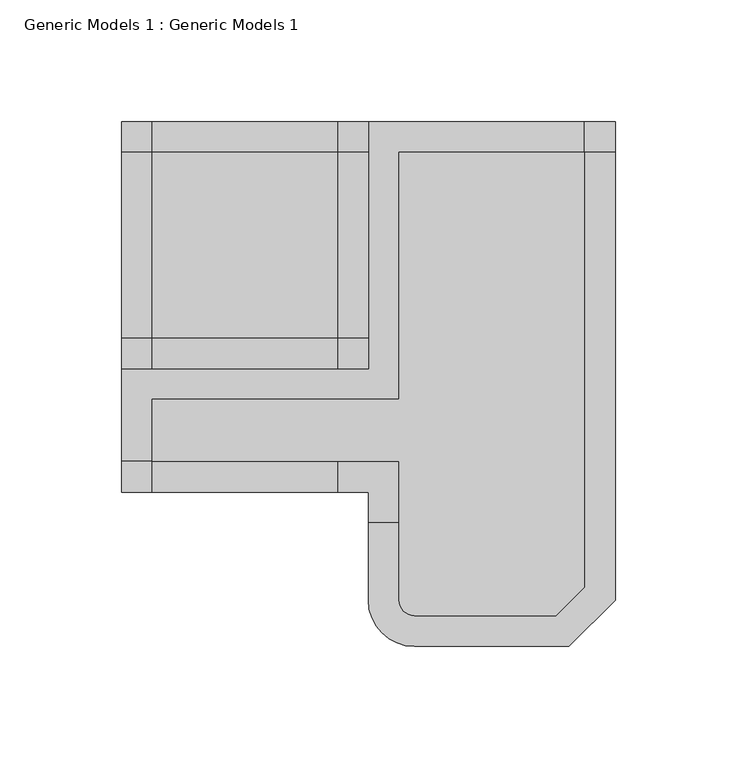
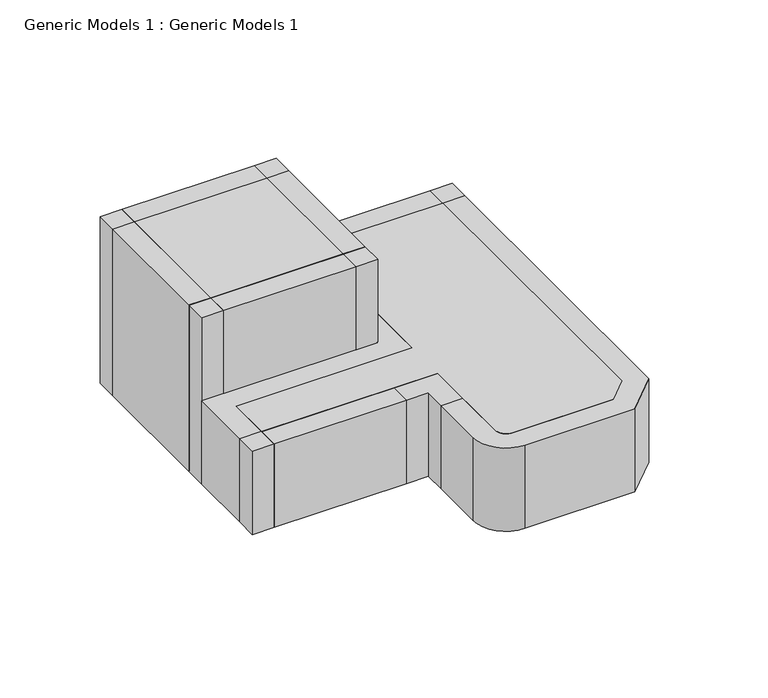
"""IFC4 building model written with IfcOpenShell, lengths in millimetres: proxy geometry, Generic Models 1 : Generic Models 1."""

import ifcopenshell
import ifcopenshell.guid

model = None  # the IFC model being written
_history = None  # IfcOwnerHistory: only IFC2X3 demands one
_inside = {}  # id of a spatial element -> (the spatial element, [elements in it])
_under = {}  # id of a project, library or spatial element -> (it, [spatial elements below it])
_declared = {}  # id of a project -> (the project, [libraries it declares])
_typed = {}  # id of a type object -> (the type object, [elements of that type])
_made_of = {}  # id of a material, layer set ... -> (it, [elements and type objects made of it])


def new_model(schema):
    """Start an empty IFC model of exactly this schema.

    Asked for "IFC4X3", IfcOpenShell would pick the latest addendum, in which some entities
    have other attributes; the version numbers below select the first issue.
    IFC2X3 requires an IfcOwnerHistory on every rooted entity: one is made here for all.
    """
    global model, _history
    if schema == "IFC4X3":
        model = ifcopenshell.file(schema_version=(4, 3, 0, 0))
    else:
        model = ifcopenshell.file(schema=schema)
    _inside.clear()
    _under.clear()
    _declared.clear()
    _typed.clear()
    _made_of.clear()
    _history = None
    if model.schema == "IFC2X3":
        org = make("IfcOrganization", Name="unknown")
        user = make(
            "IfcPersonAndOrganization",
            ThePerson=make("IfcPerson", FamilyName="unknown"),
            TheOrganization=org,
        )
        app = make(
            "IfcApplication",
            ApplicationDeveloper=org,
            Version="unknown",
            ApplicationFullName="unknown",
            ApplicationIdentifier="unknown",
        )
        _history = make(
            "IfcOwnerHistory",
            OwningUser=user,
            OwningApplication=app,
            ChangeAction="ADDED",
            CreationDate=0,
        )
    return model


def make(cls, **values):
    """One entity of the class cls with the attributes given. An attribute that is None is left unset."""
    return model.create_entity(
        cls, **{name: value for name, value in values.items() if value is not None}
    )


def rooted(cls, **values):
    """An entity with a GlobalId (a new one), such as an element, a storey or a relation."""
    return make(cls, GlobalId=ifcopenshell.guid.new(), OwnerHistory=_history, **values)


def si_unit(unit_type, name, prefix=None):
    """IfcSIUnit, for example si_unit("LENGTHUNIT", "METRE", prefix="MILLI")."""
    return make("IfcSIUnit", UnitType=unit_type, Prefix=prefix, Name=name)


def assignment(units):
    """IfcUnitAssignment: the units of a project."""
    return None if units is None else make("IfcUnitAssignment", Units=units)


def point(xyz):
    """IfcCartesianPoint."""
    return None if xyz is None else make("IfcCartesianPoint", Coordinates=xyz)


def direction(xyz):
    """IfcDirection."""
    return None if xyz is None else make("IfcDirection", DirectionRatios=xyz)


def frame(location, z_axis=None, x_axis=None):
    """IfcAxis2Placement3D, a coordinate frame: its origin and axes. An axis left out is left unset."""
    return make(
        "IfcAxis2Placement3D",
        Location=point(location),
        Axis=direction(z_axis),
        RefDirection=direction(x_axis),
    )


def frame_2d(location, x_axis=None):
    """IfcAxis2Placement2D, a coordinate frame in the plane: its origin and x axis."""
    return make(
        "IfcAxis2Placement2D", Location=point(location), RefDirection=direction(x_axis)
    )


def origin():
    """The frame at (0, 0, 0) with its axes left unset."""
    return frame((0.0, 0.0, 0.0))


def origin_with_axes():
    """The frame at (0, 0, 0) with the z axis (0, 0, 1) and the x axis (1, 0, 0) written out."""
    return frame((0.0, 0.0, 0.0), z_axis=(0.0, 0.0, 1.0), x_axis=(1.0, 0.0, 0.0))


def place(relative_to, where):
    """IfcLocalPlacement: puts the frame where relative to a parent placement (None: the world)."""
    return make(
        "IfcLocalPlacement", PlacementRelTo=relative_to, RelativePlacement=where
    )


def context(
    kind, dimensions, precision=None, world=None, true_north=None, identifier=None
):
    """IfcGeometricRepresentationContext, for example the 3D "Model" context."""
    return make(
        "IfcGeometricRepresentationContext",
        ContextIdentifier=identifier,
        ContextType=kind,
        CoordinateSpaceDimension=dimensions,
        Precision=precision,
        WorldCoordinateSystem=world,
        TrueNorth=true_north,
    )


def project(units=None, contexts=None):
    """IfcProject with its units and contexts."""
    return rooted(
        "IfcProject",
        Name="project",
        RepresentationContexts=contexts,
        UnitsInContext=assignment(units),
    )


def spatial(cls, under=None, at=None, **own):
    """A site, building, storey or space (cls), placed at a placement, below another one or the project."""
    s = rooted(cls, ObjectPlacement=at, **own)
    if under is not None:
        _under.setdefault(under.id(), (under, []))[1].append(s)
    return s


def polyline(points):
    """IfcPolyline through the points."""
    return make("IfcPolyline", Points=[point(p) for p in points])


def circle_curve(where, radius):
    """IfcCircle in the frame where."""
    return make("IfcCircle", Position=where, Radius=radius)


def trimmed(basis, trim1, trim2, sense, master):
    """IfcTrimmedCurve: the piece of a basis curve between two trims."""
    return make(
        "IfcTrimmedCurve",
        BasisCurve=basis,
        Trim1=trim1,
        Trim2=trim2,
        SenseAgreement=sense,
        MasterRepresentation=master,
    )


def segment(curve, same_sense, transition):
    """IfcCompositeCurveSegment."""
    return make(
        "IfcCompositeCurveSegment",
        Transition=transition,
        SameSense=same_sense,
        ParentCurve=curve,
    )


def composite_curve(segments, self_intersect=None):
    """IfcCompositeCurve: segments joined end to end."""
    return make("IfcCompositeCurve", Segments=segments, SelfIntersect=self_intersect)


def outline(outer, holes=None, kind="AREA"):
    """IfcArbitraryClosedProfileDef: a profile drawn as a closed curve; with holes, ...WithVoids."""
    if holes is None:
        return make("IfcArbitraryClosedProfileDef", ProfileType=kind, OuterCurve=outer)
    return make(
        "IfcArbitraryProfileDefWithVoids",
        ProfileType=kind,
        OuterCurve=outer,
        InnerCurves=holes,
    )


def extrude(swept, where, along, depth):
    """IfcExtrudedAreaSolid: the profile swept, set in the frame where, extruded along a direction by depth."""
    return make(
        "IfcExtrudedAreaSolid",
        SweptArea=swept,
        Position=where,
        ExtrudedDirection=direction(along),
        Depth=depth,
    )


def shape(context_of_items, identifier, shape_type, items):
    """IfcShapeRepresentation: the items that make up one representation, for example the "Body"."""
    return make(
        "IfcShapeRepresentation",
        ContextOfItems=context_of_items,
        RepresentationIdentifier=identifier,
        RepresentationType=shape_type,
        Items=items,
    )


def source(mapping_origin, context_of_items, identifier, shape_type, items):
    """IfcRepresentationMap: a shape defined once, which mapped items show again and again."""
    return make(
        "IfcRepresentationMap",
        MappingOrigin=mapping_origin,
        MappedRepresentation=shape(context_of_items, identifier, shape_type, items),
    )


def transform(
    local_origin,
    x_axis=None,
    y_axis=None,
    z_axis=None,
    scale=None,
    scale2=None,
    scale3=None,
    uniform=True,
):
    """IfcCartesianTransformationOperator3D, or its non-uniform kind. x_axis, y_axis, z_axis: its Axis1, 2, 3."""
    if uniform:
        return make(
            "IfcCartesianTransformationOperator3D",
            Axis1=direction(x_axis),
            Axis2=direction(y_axis),
            LocalOrigin=point(local_origin),
            Scale=scale,
            Axis3=direction(z_axis),
        )
    return make(
        "IfcCartesianTransformationOperator3DnonUniform",
        Axis1=direction(x_axis),
        Axis2=direction(y_axis),
        LocalOrigin=point(local_origin),
        Scale=scale,
        Axis3=direction(z_axis),
        Scale2=scale2,
        Scale3=scale3,
    )


def mapped(mapping_source, mapping_target):
    """IfcMappedItem: shows the shape of a source again, moved by a transform."""
    return make(
        "IfcMappedItem", MappingSource=mapping_source, MappingTarget=mapping_target
    )


def made_of(thing, what):
    """Note that an element or type object is made of a material, layer set ...; save() writes the relation."""
    if what is not None:
        _made_of.setdefault(what.id(), (what, []))[1].append(thing)
    return thing


def element(
    cls,
    number,
    at=None,
    inside=None,
    cuts=None,
    type_object=None,
    material=None,
    context=None,
    identifier="Body",
    shape_type=None,
    held_by="IfcProductDefinitionShape",
    body=None,
    shapes=None,
    **own,
):
    """One element of the class cls, such as IfcWall. Its Tag is "e" and its number.

    at: its placement. inside: the storey or other place that contains it. cuts: it is an
    opening in that element (IfcRelVoidsElement). A single representation is given by context,
    identifier, shape_type and body (its items); several are given by shapes. held_by: the class
    of the entity that holds the representations. save() writes the other relations.
    """
    e = rooted(cls, Tag="e%d" % number, ObjectPlacement=at, **own)
    if body is not None:
        shapes = [shape(context, identifier, shape_type, body)]
    if shapes is not None:
        e.Representation = make(held_by, Representations=shapes)
    if inside is not None:
        _inside.setdefault(inside.id(), (inside, []))[1].append(e)
    if cuts is not None:
        rooted(
            "IfcRelVoidsElement", RelatingBuildingElement=cuts, RelatedOpeningElement=e
        )
    if type_object is not None:
        _typed.setdefault(type_object.id(), (type_object, []))[1].append(e)
    return made_of(e, material)


def aggregate(whole, parts):
    """IfcRelAggregates: a whole, such as a stair, and the parts it consists of."""
    return rooted("IfcRelAggregates", RelatingObject=whole, RelatedObjects=parts)


def save(model, path):
    """Write the relations noted so far, then the file.

    IfcRelAggregates (storeys below a building ...), IfcRelContainedInSpatialStructure (elements
    in a storey), IfcRelDefinesByType, IfcRelAssociatesMaterial and IfcRelDeclares: one each for
    every whole, place, type object, material and project.
    """
    for whole, parts in _under.values():
        aggregate(whole, parts)
    for where, things in _inside.values():
        rooted(
            "IfcRelContainedInSpatialStructure",
            RelatedElements=things,
            RelatingStructure=where,
        )
    for kind, things in _typed.values():
        rooted("IfcRelDefinesByType", RelatedObjects=things, RelatingType=kind)
    for what, things in _made_of.values():
        rooted("IfcRelAssociatesMaterial", RelatedObjects=things, RelatingMaterial=what)
    for by, libraries in _declared.values():
        rooted("IfcRelDeclares", RelatingContext=by, RelatedDefinitions=libraries)
    model.write(path)


def generic_models_1_generic_models_1_d0b6d24c(model_context):
    return source(origin(), model_context, "Body", "SweptSolid", [
        extrude(outline(composite_curve([segment(polyline([(91.8726139, 152.4286599), (193.4726139, 152.4286599), (193.4726139, 254.0286599), (269.6726139, 254.0286599), (269.6726139, 75.1391722), (258.0621017, 63.5286599), (199.8226139, 63.5286599)]), True, "CONTINUOUS"), segment(trimmed(circle_curve(frame_2d((199.8226139, 69.8786599)), 6.35), [point((199.8226139, 63.5286599))], [point((193.4726139, 69.8786599))], False, "CARTESIAN"), True, "CONTINUOUS"), segment(polyline([(193.4726139, 69.8786599), (193.4726139, 127.0286599), (91.8726139, 127.0286599), (91.8726139, 152.4286599)]), True, "CONTINUOUS")], self_intersect=False)), origin_with_axes(), (0.0, 0.0, 1.0), 50.8),
        extrude(outline(polyline([(168.0726139, 127.0286599), (168.0726139, 114.3286599), (91.8726139, 114.3286599), (91.8726139, 127.0286599), (168.0726139, 127.0286599)])), origin_with_axes(), (0.0, 0.0, 1.0), 50.8),
        extrude(outline(composite_curve([segment(polyline([(282.3726139, 69.8786599), (263.3226139, 50.8286599), (199.8226139, 50.8286599)]), True, "CONTINUOUS"), segment(trimmed(circle_curve(frame_2d((199.8226139, 69.8786599)), 19.05), [point((199.8226139, 50.8286599))], [point((180.7726139, 69.8786599))], False, "CARTESIAN"), True, "CONTINUOUS"), segment(polyline([(180.7726139, 69.8786599), (180.7726139, 101.6286599), (193.4726139, 101.6286599), (193.4726139, 69.8786599)]), True, "CONTINUOUS"), segment(trimmed(circle_curve(frame_2d((199.8226139, 69.8786599)), 6.35), [point((193.4726139, 69.8786599))], [point((199.8226139, 63.5286599))], True, "CARTESIAN"), True, "CONTINUOUS"), segment(polyline([(199.8226139, 63.5286599), (258.0621017, 63.5286599), (269.6726139, 75.1391722), (269.6726139, 254.0286599), (282.3726139, 254.0286599), (282.3726139, 69.8786599)]), True, "CONTINUOUS")], self_intersect=False)), origin_with_axes(), (0.0, 0.0, 1.0), 50.8),
        extrude(outline(polyline([(91.8726139, 114.3286599), (79.1726139, 114.3286599), (79.1726139, 127.0286599), (91.8726139, 127.0286599), (91.8726139, 114.3286599)])), origin_with_axes(), (0.0, 0.0, 1.0), 50.8),
        extrude(outline(polyline([(282.3726139, 254.0286599), (269.6726139, 254.0286599), (269.6726139, 266.7286599), (282.3726139, 266.7286599), (282.3726139, 254.0286599)])), origin_with_axes(), (0.0, 0.0, 1.0), 50.8),
        extrude(outline(polyline([(168.0726139, 127.0286599), (193.4726139, 127.0286599), (193.4726139, 101.6286599), (180.7726139, 101.6286599), (180.7726139, 114.3286599), (168.0726139, 114.3286599), (168.0726139, 127.0286599)])), origin_with_axes(), (0.0, 0.0, 1.0), 50.8),
        extrude(outline(polyline([(79.1726139, 127.0286599), (79.1726139, 165.1286599), (180.7726139, 165.1286599), (180.7726139, 266.7286599), (269.6726139, 266.7286599), (269.6726139, 254.0286599), (193.4726139, 254.0286599), (193.4726139, 152.4286599), (91.8726139, 152.4286599), (91.8726139, 127.0286599), (79.1726139, 127.0286599)])), origin_with_axes(), (0.0, 0.0, 1.0), 50.8),
        extrude(outline(polyline([(168.0726139, 254.0286599), (168.0726139, 177.8286599), (91.8726139, 177.8286599), (91.8726139, 254.0286599), (168.0726139, 254.0286599)])), origin_with_axes(), (0.0, 0.0, 1.0), 101.6),
        extrude(outline(polyline([(180.7726139, 177.8286599), (168.0726139, 177.8286599), (168.0726139, 254.0286599), (180.7726139, 254.0286599), (180.7726139, 177.8286599)])), origin_with_axes(), (0.0, 0.0, 1.0), 101.6),
        extrude(outline(polyline([(168.0726139, 165.1286599), (91.8726139, 165.1286599), (91.8726139, 177.8286599), (168.0726139, 177.8286599), (168.0726139, 165.1286599)])), origin_with_axes(), (0.0, 0.0, 1.0), 101.6),
        extrude(outline(polyline([(91.8726139, 266.7286599), (168.0726139, 266.7286599), (168.0726139, 254.0286599), (91.8726139, 254.0286599), (91.8726139, 266.7286599)])), origin_with_axes(), (0.0, 0.0, 1.0), 101.6),
        extrude(outline(polyline([(79.1726139, 254.0286599), (91.8726139, 254.0286599), (91.8726139, 177.8286599), (79.1726139, 177.8286599), (79.1726139, 254.0286599)])), origin_with_axes(), (0.0, 0.0, 1.0), 101.6),
        extrude(outline(polyline([(91.8726139, 254.0286599), (79.1726139, 254.0286599), (79.1726139, 266.7286599), (91.8726139, 266.7286599), (91.8726139, 254.0286599)])), origin_with_axes(), (0.0, 0.0, 1.0), 101.6),
        extrude(outline(polyline([(180.7726139, 266.7286599), (180.7726139, 254.0286599), (168.0726139, 254.0286599), (168.0726139, 266.7286599), (180.7726139, 266.7286599)])), origin_with_axes(), (0.0, 0.0, 1.0), 101.6),
        extrude(outline(polyline([(91.8726139, 177.8286599), (91.8726139, 165.1286599), (79.1726139, 165.1286599), (79.1726139, 177.8286599), (91.8726139, 177.8286599)])), origin_with_axes(), (0.0, 0.0, 1.0), 101.6),
        extrude(outline(polyline([(180.7726139, 165.1286599), (168.0726139, 165.1286599), (168.0726139, 177.8286599), (180.7726139, 177.8286599), (180.7726139, 165.1286599)])), origin_with_axes(), (0.0, 0.0, 1.0), 101.6),
    ])


if __name__ == "__main__":
    model = new_model("IFC4")
    model_context = context("Model", 3, world=origin())
    ifc_project = project(units=[si_unit("LENGTHUNIT", "METRE", prefix="MILLI")], contexts=[model_context])
    site = spatial("IfcSite", under=ifc_project)
    building = spatial("IfcBuilding", under=site)
    placement = place(None, origin())
    generic_models_1_generic_models_1_shape = generic_models_1_generic_models_1_d0b6d24c(model_context)
    element("IfcBuildingElementProxy", 1, Name="Generic Models 1 : Generic Models 1", ObjectType="Generic Models 1 : Generic Models 1", at=placement, inside=building, context=model_context, shape_type="MappedRepresentation", body=[
        mapped(generic_models_1_generic_models_1_shape, transform((0.0, 0.0, 0.0), x_axis=(1.0, 0.0, 0.0), y_axis=(0.0, 1.0, 0.0), z_axis=(0.0, 0.0, 1.0))),
    ])
    save(model, "model.ifc")
